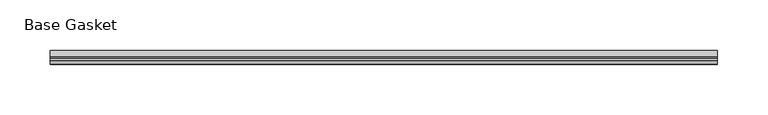
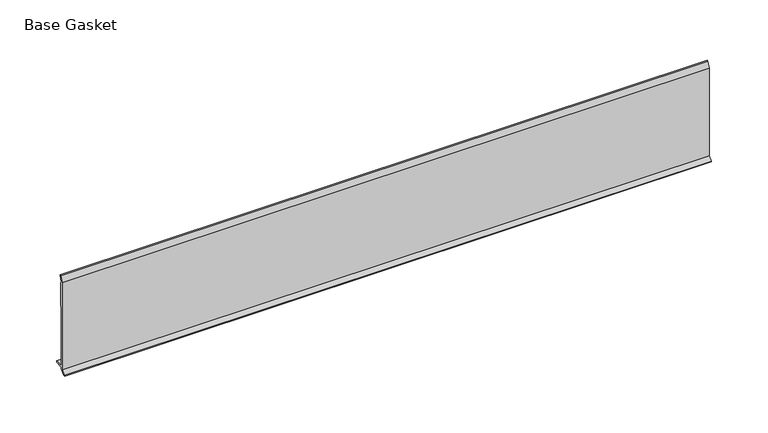
"""IFC4 building model written with IfcOpenShell, lengths in millimetres: furniture geometry, Base Gasket."""

from ifc_helpers import new_model, si_unit, frame, origin, place, context, project, spatial, polyline, outline, extrude, source, transform, mapped, element, save


def base_gasket_82b5b283(model_context):
    return source(origin(), model_context, "Body", "SweptSolid", [
        extrude(outline(polyline([(-3.7283812, 98.4568417), (-1.1891543, 104.587663), (-0.6755308, 105.2002997), (-0.6755308, 104.4162708), (-2.2043812, 98.4568417), (-2.2043812, 96.8693477), (-1.4106313, 96.8693477), (-1.4106313, 71.4693447), (-2.2043812, 71.4693447), (-2.2043812, 7.9398773), (6.2405171, 7.9398773), (6.2405171, 6.3818476), (-2.1334222, 6.3818476), (-2.2043812, 4.3498477), (-6.8281054, 0.3520979), (-7.8482342, 0.0), (-7.4222115, 0.6560174), (-3.7283812, 4.3498477), (-3.7283812, 98.4568417)])), frame((-1527.8982117, 0.0, 0.0), z_axis=(1.0, 0.0, 0.0), x_axis=(0.0, 1.0, 0.0)), (0.0, 0.0, 1.0), 660.4),
    ])


if __name__ == "__main__":
    model = new_model("IFC4")
    model_context = context("Model", 3, world=origin())
    ifc_project = project(units=[si_unit("LENGTHUNIT", "METRE", prefix="MILLI")], contexts=[model_context])
    site = spatial("IfcSite", under=ifc_project)
    building = spatial("IfcBuilding", under=site)
    placement = place(None, origin())
    base_gasket_shape = base_gasket_82b5b283(model_context)
    element("IfcFurniture", 1, ObjectType="Base Gasket", at=placement, inside=building, context=model_context, shape_type="MappedRepresentation", body=[
        mapped(base_gasket_shape, transform((0.0, 0.0, 0.0), x_axis=(1.0, 0.0, 0.0), y_axis=(0.0, 1.0, 0.0), z_axis=(0.0, 0.0, 1.0))),
    ])
    save(model, "model.ifc")
